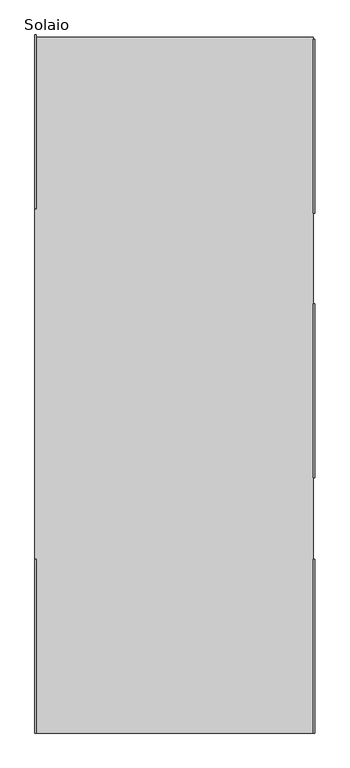
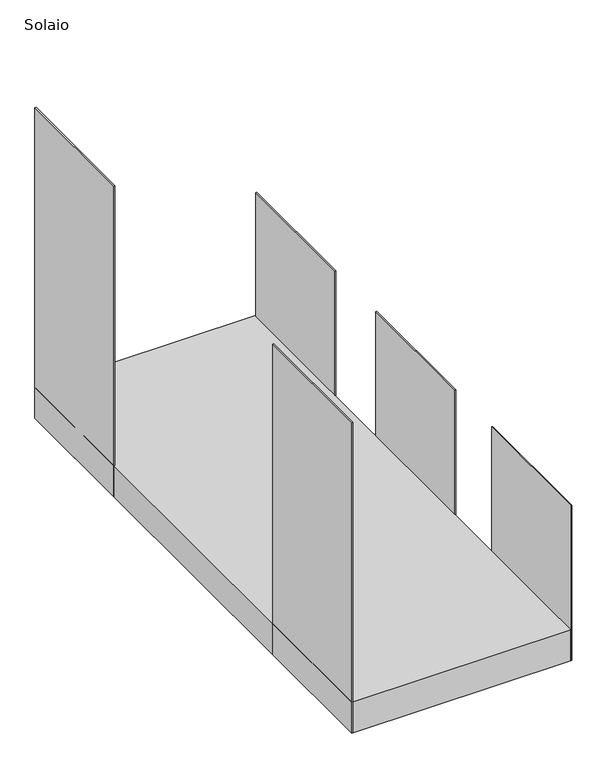
"""IFC4 building model written with IfcOpenShell, lengths in millimetres: proxy geometry, Solaio."""

from ifc_helpers import new_model, si_unit, origin, origin_with_axes, place, context, project, spatial, polyline, outline, extrude, source, transform, mapped, element, save


def solaio_30115056(model_context):
    return source(origin(), model_context, "Body", "SweptSolid", [
        extrude(outline(polyline([(2010.0, 4983.8772628), (2010.0, 3733.8772628), (2000.0, 3733.8772628), (2000.0, 4983.8772628), (2010.0, 4983.8772628)])), origin_with_axes(), (0.0, 0.0, 1.0), 1500.0),
        extrude(outline(polyline([(2010.0, 1250.0), (2010.0, 0.0), (2000.0, 0.0), (2000.0, 1250.0), (2010.0, 1250.0)])), origin_with_axes(), (0.0, 0.0, 1.0), 1500.0),
        extrude(outline(polyline([(2010.0, 3083.7526444), (2010.0, 1833.7526444), (2000.0, 1833.7526444), (2000.0, 3083.7526444), (2010.0, 3083.7526444)])), origin_with_axes(), (0.0, 0.0, 1.0), 1500.0),
        extrude(outline(polyline([(10.0, 5016.3966505), (10.0, 3766.3966505), (0.0, 3766.3966505), (0.0, 5016.3966505), (10.0, 5016.3966505)])), origin_with_axes(), (0.0, 0.0, 1.0), 3000.0),
        extrude(outline(polyline([(10.0, 1250.0), (10.0, 0.0), (0.0, 0.0), (0.0, 1250.0), (10.0, 1250.0)])), origin_with_axes(), (0.0, 0.0, 1.0), 3000.0),
        extrude(outline(polyline([(2000.0, 5000.0), (2000.0, 0.0), (0.0, 0.0), (0.0, 5000.0), (2000.0, 5000.0)])), origin_with_axes(), (0.0, 0.0, 1.0), 300.0),
    ])


if __name__ == "__main__":
    model = new_model("IFC4")
    model_context = context("Model", 3, world=origin())
    ifc_project = project(units=[si_unit("LENGTHUNIT", "METRE", prefix="MILLI")], contexts=[model_context])
    site = spatial("IfcSite", under=ifc_project)
    building = spatial("IfcBuilding", under=site)
    placement = place(None, origin())
    solaio_shape = solaio_30115056(model_context)
    element("IfcBuildingElementProxy", 1, Name="Solaio", ObjectType="Solaio", at=placement, inside=building, context=model_context, shape_type="MappedRepresentation", body=[
        mapped(solaio_shape, transform((0.0, 0.0, 0.0), x_axis=(1.0, 0.0, 0.0), y_axis=(0.0, 1.0, 0.0), z_axis=(0.0, 0.0, 1.0))),
    ])
    save(model, "model.ifc")
